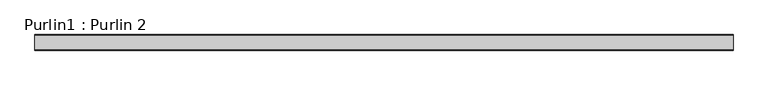
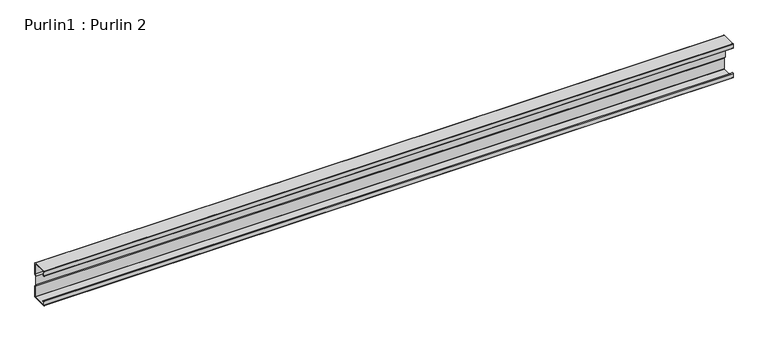
"""IFC4 building model written with IfcOpenShell, lengths in millimetres: beam geometry, Purlin1 : Purlin 2."""

from ifc_helpers import new_model, si_unit, point, frame, frame_2d, origin, place, context, project, spatial, polyline, circle_curve, trimmed, segment, composite_curve, outline, extrude, source, transform, mapped, element, save


def purlin1_purlin_2_ba82e823(model_context):
    return source(origin(), model_context, "Body", "SweptSolid", [
        extrude(outline(composite_curve([segment(polyline([(30.5, -75.0), (-30.5, -75.0)]), True, "CONTINUOUS"), segment(trimmed(circle_curve(frame_2d((-30.5, -73.5)), 1.5), [point((-30.5, -75.0))], [point((-32.0, -73.5))], False, "CARTESIAN"), True, "CONTINUOUS"), segment(polyline([(-32.0, -73.5), (-32.0, -55.5689158)]), True, "CONTINUOUS"), segment(trimmed(circle_curve(frame_2d((-30.5, -55.5689158)), 1.5), [point((-32.0, -55.5689158))], [point((-29.6183221, -54.3553903))], False, "CARTESIAN"), True, "CONTINUOUS"), segment(polyline([(-29.6183221, -54.3553903), (-22.7008639, -59.3812179), (-23.2886491, -60.1902349), (-30.2061074, -55.1644073)]), True, "CONTINUOUS"), segment(trimmed(circle_curve(frame_2d((-30.5, -55.5689158)), 0.5), [point((-30.2061074, -55.1644073))], [point((-31.0, -55.5689158))], True, "CARTESIAN"), True, "CONTINUOUS"), segment(polyline([(-31.0, -55.5689158), (-31.0, -73.0)]), True, "CONTINUOUS"), segment(trimmed(circle_curve(frame_2d((-30.0, -73.0)), 1.0), [point((-31.0, -73.0))], [point((-30.0, -74.0))], True, "CARTESIAN"), True, "CONTINUOUS"), segment(polyline([(-30.0, -74.0), (30.0, -74.0)]), True, "CONTINUOUS"), segment(trimmed(circle_curve(frame_2d((30.0, -73.0)), 1.0), [point((30.0, -74.0))], [point((31.0, -73.0))], True, "CARTESIAN"), True, "CONTINUOUS"), segment(polyline([(31.0, -73.0), (31.0, -26.8252474), (25.375, -18.9502474), (25.375, 18.7314974), (31.0, 26.3252474), (31.0, 73.0)]), True, "CONTINUOUS"), segment(trimmed(circle_curve(frame_2d((30.0, 73.0)), 1.0), [point((31.0, 73.0))], [point((30.0, 74.0))], True, "CARTESIAN"), True, "CONTINUOUS"), segment(polyline([(30.0, 74.0), (-30.0, 74.0)]), True, "CONTINUOUS"), segment(trimmed(circle_curve(frame_2d((-30.0, 73.0)), 1.0), [point((-30.0, 74.0))], [point((-31.0, 73.0))], True, "CARTESIAN"), True, "CONTINUOUS"), segment(polyline([(-31.0, 73.0), (-31.0, 55.5689158)]), True, "CONTINUOUS"), segment(trimmed(circle_curve(frame_2d((-30.5, 55.5689158)), 0.5), [point((-31.0, 55.5689158))], [point((-30.2061074, 55.1644073))], True, "CARTESIAN"), True, "CONTINUOUS"), segment(polyline([(-30.2061074, 55.1644073), (-23.2886491, 60.1902349), (-22.7008639, 59.3812179), (-29.6183221, 54.3553903)]), True, "CONTINUOUS"), segment(trimmed(circle_curve(frame_2d((-30.5, 55.5689158)), 1.5), [point((-29.6183221, 54.3553903))], [point((-32.0, 55.5689158))], False, "CARTESIAN"), True, "CONTINUOUS"), segment(polyline([(-32.0, 55.5689158), (-32.0, 73.5)]), True, "CONTINUOUS"), segment(trimmed(circle_curve(frame_2d((-30.5, 73.5)), 1.5), [point((-32.0, 73.5))], [point((-30.5, 75.0))], False, "CARTESIAN"), True, "CONTINUOUS"), segment(polyline([(-30.5, 75.0), (30.5, 75.0)]), True, "CONTINUOUS"), segment(trimmed(circle_curve(frame_2d((30.5, 73.5)), 1.5), [point((30.5, 75.0))], [point((32.0, 73.5))], False, "CARTESIAN"), True, "CONTINUOUS"), segment(polyline([(32.0, 73.5), (32.0, 25.9952176), (26.375, 18.4014676), (26.375, -18.6297824), (32.0, -26.5047824), (32.0, -73.5)]), True, "CONTINUOUS"), segment(trimmed(circle_curve(frame_2d((30.5, -73.5)), 1.5), [point((32.0, -73.5))], [point((30.5, -75.0))], False, "CARTESIAN"), True, "CONTINUOUS")], self_intersect=False)), frame((-1430.0, 0.0, 0.0), z_axis=(1.0, 0.0, 0.0), x_axis=(0.0, 1.0, 0.0)), (0.0, 0.0, 1.0), 2860.0),
    ])


if __name__ == "__main__":
    model = new_model("IFC4")
    model_context = context("Model", 3, world=origin())
    ifc_project = project(units=[si_unit("LENGTHUNIT", "METRE", prefix="MILLI")], contexts=[model_context])
    site = spatial("IfcSite", under=ifc_project)
    building = spatial("IfcBuilding", under=site)
    placement = place(None, origin())
    purlin1_purlin_2_shape = purlin1_purlin_2_ba82e823(model_context)
    element("IfcBeam", 1, ObjectType="Purlin1 : Purlin 2", at=placement, inside=building, context=model_context, shape_type="MappedRepresentation", body=[
        mapped(purlin1_purlin_2_shape, transform((0.0, 0.0, 0.0), x_axis=(1.0, 0.0, 0.0), y_axis=(0.0, 1.0, 0.0), z_axis=(0.0, 0.0, 1.0))),
    ])
    save(model, "model.ifc")
